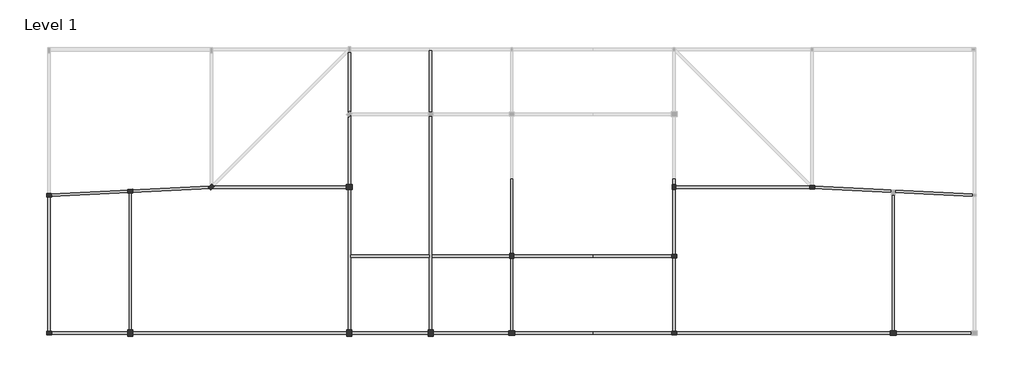
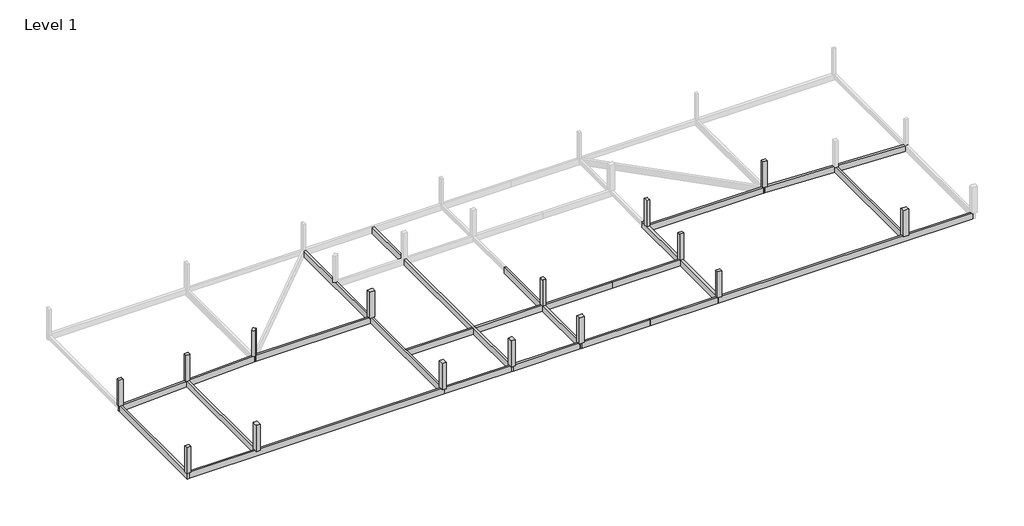
# One storey, part 1 of 2: 21 beams, 15 columns.
"""IFC4 building model written with IfcOpenShell, lengths in millimetres."""

import ifcopenshell
import ifcopenshell.guid

model = None  # the IFC model being written
_history = None  # IfcOwnerHistory: only IFC2X3 demands one
_inside = {}  # id of a spatial element -> (the spatial element, [elements in it])
_under = {}  # id of a project, library or spatial element -> (it, [spatial elements below it])
_declared = {}  # id of a project -> (the project, [libraries it declares])
_typed = {}  # id of a type object -> (the type object, [elements of that type])
_made_of = {}  # id of a material, layer set ... -> (it, [elements and type objects made of it])


def new_model(schema):
    """Start an empty IFC model of exactly this schema.

    Asked for "IFC4X3", IfcOpenShell would pick the latest addendum, in which some entities
    have other attributes; the version numbers below select the first issue.
    IFC2X3 requires an IfcOwnerHistory on every rooted entity: one is made here for all.
    """
    global model, _history
    if schema == "IFC4X3":
        model = ifcopenshell.file(schema_version=(4, 3, 0, 0))
    else:
        model = ifcopenshell.file(schema=schema)
    _inside.clear()
    _under.clear()
    _declared.clear()
    _typed.clear()
    _made_of.clear()
    _history = None
    if model.schema == "IFC2X3":
        org = make("IfcOrganization", Name="unknown")
        user = make(
            "IfcPersonAndOrganization",
            ThePerson=make("IfcPerson", FamilyName="unknown"),
            TheOrganization=org,
        )
        app = make(
            "IfcApplication",
            ApplicationDeveloper=org,
            Version="unknown",
            ApplicationFullName="unknown",
            ApplicationIdentifier="unknown",
        )
        _history = make(
            "IfcOwnerHistory",
            OwningUser=user,
            OwningApplication=app,
            ChangeAction="ADDED",
            CreationDate=0,
        )
    return model


def make(cls, **values):
    """One entity of the class cls with the attributes given. An attribute that is None is left unset."""
    return model.create_entity(
        cls, **{name: value for name, value in values.items() if value is not None}
    )


def rooted(cls, **values):
    """An entity with a GlobalId (a new one), such as an element, a storey or a relation."""
    return make(cls, GlobalId=ifcopenshell.guid.new(), OwnerHistory=_history, **values)


def si_unit(unit_type, name, prefix=None):
    """IfcSIUnit, for example si_unit("LENGTHUNIT", "METRE", prefix="MILLI")."""
    return make("IfcSIUnit", UnitType=unit_type, Prefix=prefix, Name=name)


def assignment(units):
    """IfcUnitAssignment: the units of a project."""
    return None if units is None else make("IfcUnitAssignment", Units=units)


def point(xyz):
    """IfcCartesianPoint."""
    return None if xyz is None else make("IfcCartesianPoint", Coordinates=xyz)


def direction(xyz):
    """IfcDirection."""
    return None if xyz is None else make("IfcDirection", DirectionRatios=xyz)


def frame(location, z_axis=None, x_axis=None):
    """IfcAxis2Placement3D, a coordinate frame: its origin and axes. An axis left out is left unset."""
    return make(
        "IfcAxis2Placement3D",
        Location=point(location),
        Axis=direction(z_axis),
        RefDirection=direction(x_axis),
    )


def origin():
    """The frame at (0, 0, 0) with its axes left unset."""
    return frame((0.0, 0.0, 0.0))


def place(relative_to, where):
    """IfcLocalPlacement: puts the frame where relative to a parent placement (None: the world)."""
    return make(
        "IfcLocalPlacement", PlacementRelTo=relative_to, RelativePlacement=where
    )


def context(
    kind, dimensions, precision=None, world=None, true_north=None, identifier=None
):
    """IfcGeometricRepresentationContext, for example the 3D "Model" context."""
    return make(
        "IfcGeometricRepresentationContext",
        ContextIdentifier=identifier,
        ContextType=kind,
        CoordinateSpaceDimension=dimensions,
        Precision=precision,
        WorldCoordinateSystem=world,
        TrueNorth=true_north,
    )


def project(units=None, contexts=None):
    """IfcProject with its units and contexts."""
    return rooted(
        "IfcProject",
        Name="project",
        RepresentationContexts=contexts,
        UnitsInContext=assignment(units),
    )


def spatial(cls, under=None, at=None, **own):
    """A site, building, storey or space (cls), placed at a placement, below another one or the project."""
    s = rooted(cls, ObjectPlacement=at, **own)
    if under is not None:
        _under.setdefault(under.id(), (under, []))[1].append(s)
    return s


def polyline(points):
    """IfcPolyline through the points."""
    return make("IfcPolyline", Points=[point(p) for p in points])


def outline(outer, holes=None, kind="AREA"):
    """IfcArbitraryClosedProfileDef: a profile drawn as a closed curve; with holes, ...WithVoids."""
    if holes is None:
        return make("IfcArbitraryClosedProfileDef", ProfileType=kind, OuterCurve=outer)
    return make(
        "IfcArbitraryProfileDefWithVoids",
        ProfileType=kind,
        OuterCurve=outer,
        InnerCurves=holes,
    )


def extrude(swept, where, along, depth):
    """IfcExtrudedAreaSolid: the profile swept, set in the frame where, extruded along a direction by depth."""
    return make(
        "IfcExtrudedAreaSolid",
        SweptArea=swept,
        Position=where,
        ExtrudedDirection=direction(along),
        Depth=depth,
    )


def faces_of(points, faces, orient=None, outer=None):
    """IfcFace entities. A face is a list of loops; a loop is a list of indices into points, from 0.

    orient and outer hold one flag for each loop. By default every Orientation is true, the
    first loop of a face is its IfcFaceOuterBound and the others are IfcFaceBound.
    """
    made = []
    for i, loops in enumerate(faces):
        bounds = []
        for j, loop in enumerate(loops):
            is_outer = j == 0 if outer is None else outer[i][j]
            bounds.append(
                make(
                    "IfcFaceOuterBound" if is_outer else "IfcFaceBound",
                    Bound=make("IfcPolyLoop", Polygon=[points[k] for k in loop]),
                    Orientation=True if orient is None else orient[i][j],
                )
            )
        made.append(make("IfcFace", Bounds=bounds))
    return made


def faceted_brep(points, faces, orient=None, outer=None, voids=None):
    """IfcFacetedBrep: a solid bounded by flat faces; with voids (closed shells), ...WithVoids."""
    shared = [point(p) for p in points]
    hull = make("IfcClosedShell", CfsFaces=faces_of(shared, faces, orient, outer))
    if voids is None:
        return make("IfcFacetedBrep", Outer=hull)
    return make(
        "IfcFacetedBrepWithVoids",
        Outer=hull,
        Voids=[
            make(cls, CfsFaces=faces_of(shared, fs, o, b)) for cls, fs, o, b in voids
        ],
    )


def shape(context_of_items, identifier, shape_type, items):
    """IfcShapeRepresentation: the items that make up one representation, for example the "Body"."""
    return make(
        "IfcShapeRepresentation",
        ContextOfItems=context_of_items,
        RepresentationIdentifier=identifier,
        RepresentationType=shape_type,
        Items=items,
    )


def made_of(thing, what):
    """Note that an element or type object is made of a material, layer set ...; save() writes the relation."""
    if what is not None:
        _made_of.setdefault(what.id(), (what, []))[1].append(thing)
    return thing


def element(
    cls,
    number,
    at=None,
    inside=None,
    cuts=None,
    type_object=None,
    material=None,
    context=None,
    identifier="Body",
    shape_type=None,
    held_by="IfcProductDefinitionShape",
    body=None,
    shapes=None,
    **own,
):
    """One element of the class cls, such as IfcWall. Its Tag is "e" and its number.

    at: its placement. inside: the storey or other place that contains it. cuts: it is an
    opening in that element (IfcRelVoidsElement). A single representation is given by context,
    identifier, shape_type and body (its items); several are given by shapes. held_by: the class
    of the entity that holds the representations. save() writes the other relations.
    """
    e = rooted(cls, Tag="e%d" % number, ObjectPlacement=at, **own)
    if body is not None:
        shapes = [shape(context, identifier, shape_type, body)]
    if shapes is not None:
        e.Representation = make(held_by, Representations=shapes)
    if inside is not None:
        _inside.setdefault(inside.id(), (inside, []))[1].append(e)
    if cuts is not None:
        rooted(
            "IfcRelVoidsElement", RelatingBuildingElement=cuts, RelatedOpeningElement=e
        )
    if type_object is not None:
        _typed.setdefault(type_object.id(), (type_object, []))[1].append(e)
    return made_of(e, material)


def aggregate(whole, parts):
    """IfcRelAggregates: a whole, such as a stair, and the parts it consists of."""
    return rooted("IfcRelAggregates", RelatingObject=whole, RelatedObjects=parts)


def save(model, path):
    """Write the relations noted so far, then the file.

    IfcRelAggregates (storeys below a building ...), IfcRelContainedInSpatialStructure (elements
    in a storey), IfcRelDefinesByType, IfcRelAssociatesMaterial and IfcRelDeclares: one each for
    every whole, place, type object, material and project.
    """
    for whole, parts in _under.values():
        aggregate(whole, parts)
    for where, things in _inside.values():
        rooted(
            "IfcRelContainedInSpatialStructure",
            RelatedElements=things,
            RelatingStructure=where,
        )
    for kind, things in _typed.values():
        rooted("IfcRelDefinesByType", RelatedObjects=things, RelatingType=kind)
    for what, things in _made_of.values():
        rooted("IfcRelAssociatesMaterial", RelatedObjects=things, RelatingMaterial=what)
    for by, libraries in _declared.values():
        rooted("IfcRelDeclares", RelatingContext=by, RelatedDefinitions=libraries)
    model.write(path)


model = new_model("IFC4")

# Units and contexts
model_context = context("Model", 3, world=origin())
ifc_project = project(units=[si_unit("LENGTHUNIT", "METRE", prefix="MILLI")], contexts=[model_context])

# Site, building, storey
site = spatial("IfcSite", under=ifc_project)
building = spatial("IfcBuilding", under=site)
storey = spatial("IfcBuildingStorey", under=building, Name="Level 1", Elevation=0.0)

# Beams
placement = place(None, origin())
element("IfcBeam", 1, ObjectType="M_Concrete-Rectangular Beam : 300 x 900mm", at=placement, inside=storey, context=model_context, shape_type="Brep", body=[
    faceted_brep([(4827.3778836, -7104.0145569, 0.0), (4527.3778836, -7104.0145569, 0.0), (4527.3778836, -6979.7504882, 0.0), (4527.3778836, -6899.1951396, 0.0), (-15172.6221164, -7884.1951396, 0.0), (-15472.6221164, -7899.1951396, 0.0), (-15472.6221164, -8199.5699055, 0.0), (-15172.6221164, -8184.5699055, 0.0), (-5472.6221164, -7699.5699055, 0.0), (-5172.6221164, -7684.5699055, 0.0), (4681.1255428, -7191.8825226, 0.0), (4827.3778836, -7184.5699055, 0.0), (4827.3778836, -7184.5699055, -900.0), (-15472.6221164, -8199.5699055, -900.0), (-15172.6221164, -8184.5699055, -900.0), (-5472.6221164, -7699.5699055, -900.0), (-5172.6221164, -7684.5699055, -900.0), (4681.1255428, -7191.8825226, -900.0), (4527.3778836, -7104.0145569, -900.0), (4827.3778836, -7104.0145569, -900.0), (-15472.6221164, -7899.1951396, -900.0), (4527.3778836, -6899.1951396, -900.0), (4527.3778836, -6979.7504882, -900.0), (-15472.6221164, -7899.1951396, -600.0)], [[[0, 1, 2, 3, 4, 5, 6, 7, 8, 9, 10, 11]], [[12, 11, 10, 9, 8, 7, 6, 13, 14, 15, 16, 17]], [[18, 19, 12, 17, 16, 15, 14, 13, 20, 21, 22]], [[3, 21, 20, 23, 5, 4]], [[21, 3, 2, 1, 18, 22]], [[18, 1, 0, 19]], [[11, 12, 19, 0]], [[6, 5, 23, 20, 13]]]),
])
element("IfcBeam", 2, ObjectType="M_Concrete-Rectangular Beam : 300 x 900mm", at=placement, inside=storey, context=model_context, shape_type="Brep", body=[
    faceted_brep([(-15472.6221164, -25191.8825226, 0.0), (-15172.6221164, -25191.8825226, 0.0), (-15172.6221164, -24891.8825226, 0.0), (-15172.6221164, -8184.5699055, 0.0), (-15472.6221164, -8199.5699055, 0.0), (-15472.6221164, -25191.8825226, -900.0), (-15472.6221164, -8199.5699055, -900.0), (-15172.6221164, -25191.8825226, -900.0), (-15172.6221164, -8184.5699055, -900.0), (-15172.6221164, -24891.8825226, -900.0)], [[[0, 1, 2, 3, 4]], [[5, 0, 4, 6]], [[7, 5, 6, 8, 9]], [[1, 7, 9, 8, 3, 2]], [[4, 3, 8, 6]], [[1, 0, 5, 7]]]),
])
element("IfcBeam", 3, ObjectType="M_Concrete-Rectangular Beam : 300 x 900mm", at=placement, inside=storey, context=model_context, shape_type="Brep", body=[
    faceted_brep([(21827.3778836, -25191.8825226, 0.0), (21827.3778836, -24891.8825226, 0.0), (21527.3778836, -24891.8825226, 0.0), (-5172.6221164, -24891.8825226, 0.0), (-5472.6221164, -24891.8825226, 0.0), (-15172.6221164, -24891.8825226, 0.0), (-15172.6221164, -25191.8825226, 0.0), (21827.3778836, -25191.8825226, -900.0), (-15172.6221164, -25191.8825226, -900.0), (21827.3778836, -24891.8825226, -900.0), (-15172.6221164, -24891.8825226, -900.0), (-5472.6221164, -24891.8825226, -900.0), (-5172.6221164, -24891.8825226, -900.0), (21527.3778836, -24891.8825226, -900.0)], [[[0, 1, 2, 3, 4, 5, 6]], [[7, 0, 6, 8]], [[9, 7, 8, 10, 11, 12, 13]], [[1, 9, 13, 12, 11, 10, 5, 4, 3, 2]], [[6, 5, 10, 8]], [[1, 0, 7, 9]]]),
])
element("IfcBeam", 4, ObjectType="M_Concrete-Rectangular Beam : 300 x 900mm", at=placement, inside=storey, context=model_context, shape_type="Brep", body=[
    faceted_brep([(21527.3778836, -24891.8825226, 0.0), (21827.3778836, -24891.8825226, 0.0), (21827.3778836, -15691.8825226, 0.0), (21827.3778836, -15391.8825226, 0.0), (21827.3778836, 1808.1174774, 0.0), (21827.3778836, 2108.1174774, 0.0), (21827.3778836, 9608.1174774, 0.0), (21827.3778836, 9808.1174774, 0.0), (21827.3778836, 9895.9854431, 0.0), (21527.3778836, 9595.9854431, 0.0), (21527.3778836, -6891.8825226, 0.0), (21527.3778836, -7191.8825226, 0.0), (21527.3778836, -24891.8825226, -900.0), (21527.3778836, 9595.9854431, -900.0), (21527.3778836, -6891.8825226, -900.0), (21527.3778836, -7191.8825226, -900.0), (21827.3778836, -24891.8825226, -900.0), (21827.3778836, 9895.9854431, -900.0), (21827.3778836, 9808.1174774, -900.0), (21827.3778836, 2108.1174774, -900.0), (21827.3778836, 1808.1174774, -900.0), (21827.3778836, -15391.8825226, -900.0), (21827.3778836, -15691.8825226, -900.0)], [[[0, 1, 2, 3, 4, 5, 6, 7, 8, 9, 10, 11]], [[12, 0, 11, 10, 9, 13, 14, 15]], [[16, 12, 15, 14, 13, 17, 18, 19, 20, 21, 22]], [[8, 7, 6, 5, 4, 3, 2, 1, 16, 22, 21, 20, 19, 18, 17]], [[1, 0, 12, 16]], [[9, 8, 17, 13]]]),
])
element("IfcBeam", 5, ObjectType="M_Concrete-Rectangular Beam : 300 x 900mm", at=placement, inside=storey, context=model_context, shape_type="SweptSolid", body=[
    extrude(outline(polyline([(-5472.6221164, -7699.5699055), (-5172.6221164, -7684.5699055), (-5172.6221164, -24891.8825226), (-5472.6221164, -24891.8825226), (-5472.6221164, -7699.5699055)])), frame((0.0, 0.0, -900.0), z_axis=(0.0, 0.0, 1.0), x_axis=(1.0, 0.0, 0.0)), (0.0, 0.0, 1.0), 900.0),
])
element("IfcBeam", 6, ObjectType="M_Concrete-Rectangular Beam : 300 x 900mm", at=placement, inside=storey, context=model_context, shape_type="SweptSolid", body=[
    extrude(outline(polyline([(4827.3778836, -7104.0145569), (5039.509918, -6891.8825226), (21527.3778836, -6891.8825226), (21527.3778836, -7191.8825226), (4681.1255428, -7191.8825226), (4827.3778836, -7184.5699055), (4827.3778836, -7104.0145569)])), frame((0.0, 0.0, -900.0), z_axis=(0.0, 0.0, 1.0), x_axis=(1.0, 0.0, 0.0)), (0.0, 0.0, 1.0), 900.0),
])
element("IfcBeam", 7, ObjectType="M_Concrete-Rectangular Beam : 300 x 900mm", at=placement, inside=storey, context=model_context, shape_type="Brep", body=[
    faceted_brep([(41827.3778836, -6041.8825226, 0.0), (41527.3778836, -6041.8825226, 0.0), (41527.3778836, -15391.8825226, 0.0), (41527.3778836, -15691.8825226, 0.0), (41527.3778836, -24891.8825226, 0.0), (41527.3778836, -25191.8825226, 0.0), (41827.3778836, -25191.8825226, 0.0), (41827.3778836, -24891.8825226, 0.0), (41827.3778836, -15691.8825226, 0.0), (41827.3778836, -15391.8825226, 0.0), (41827.3778836, -6041.8825226, -900.0), (41827.3778836, -6041.8825226, -600.0), (41827.3778836, -25191.8825226, -900.0), (41827.3778836, -24891.8825226, -900.0), (41827.3778836, -15691.8825226, -900.0), (41827.3778836, -15391.8825226, -900.0), (41527.3778836, -6041.8825226, -900.0), (41527.3778836, -25191.8825226, -900.0), (41527.3778836, -24891.8825226, -900.0), (41527.3778836, -15691.8825226, -900.0), (41527.3778836, -15391.8825226, -900.0), (41527.3778836, -6041.8825226, -600.0)], [[[0, 1, 2, 3, 4, 5, 6, 7, 8, 9]], [[10, 11, 0, 9, 8, 7, 6, 12, 13, 14, 15]], [[16, 10, 15, 14, 13, 12, 17, 18, 19, 20]], [[1, 21, 16, 20, 19, 18, 17, 5, 4, 3, 2]], [[16, 21, 1, 0, 11, 10]], [[6, 5, 17, 12]]]),
])
element("IfcBeam", 8, ObjectType="M_Concrete-Rectangular Beam : 300 x 900mm", at=placement, inside=storey, context=model_context, shape_type="Brep", body=[
    faceted_brep([(31527.3778836, -25191.8825226, 0.0), (31827.3778836, -25191.8825226, 0.0), (31827.3778836, -24891.8825226, 0.0), (31827.3778836, -15691.8825226, 0.0), (31827.3778836, -15391.8825226, 0.0), (31827.3778836, 1808.1174774, 0.0), (31827.3778836, 2108.1174774, 0.0), (31827.3778836, 9808.1174774, 0.0), (31527.3778836, 9808.1174774, 0.0), (31527.3778836, 2108.1174774, 0.0), (31527.3778836, 1808.1174774, 0.0), (31527.3778836, -15391.8825226, 0.0), (31527.3778836, -15691.8825226, 0.0), (31527.3778836, -24891.8825226, 0.0), (31827.3778836, -25191.8825226, -900.0), (31827.3778836, -24891.8825226, -900.0), (31827.3778836, -15691.8825226, -900.0), (31827.3778836, -15391.8825226, -900.0), (31827.3778836, 1808.1174774, -900.0), (31827.3778836, 2108.1174774, -900.0), (31827.3778836, 9808.1174774, -900.0), (31527.3778836, -25191.8825226, -900.0), (31527.3778836, -24891.8825226, -900.0), (31527.3778836, -15691.8825226, -900.0), (31527.3778836, -15391.8825226, -900.0), (31527.3778836, 1808.1174774, -900.0), (31527.3778836, 2108.1174774, -900.0), (31527.3778836, 9808.1174774, -900.0)], [[[0, 1, 2, 3, 4, 5, 6, 7, 8, 9, 10, 11, 12, 13]], [[1, 14, 15, 16, 17, 18, 19, 20, 7, 6, 5, 4, 3, 2]], [[14, 21, 22, 23, 24, 25, 26, 27, 20, 19, 18, 17, 16, 15]], [[21, 0, 13, 12, 11, 10, 9, 8, 27, 26, 25, 24, 23, 22]], [[8, 7, 20, 27]], [[1, 0, 21, 14]]]),
])
element("IfcBeam", 9, ObjectType="M_Concrete-Rectangular Beam : 300 x 900mm", at=placement, inside=storey, context=model_context, shape_type="SweptSolid", body=[
    extrude(outline(polyline([(41527.3778836, -24891.8825226), (41527.3778836, -25191.8825226), (31827.3778836, -25191.8825226), (31827.3778836, -24891.8825226), (41527.3778836, -24891.8825226)])), frame((0.0, 0.0, -900.0), z_axis=(0.0, 0.0, 1.0), x_axis=(1.0, 0.0, 0.0)), (0.0, 0.0, 1.0), 900.0),
])
element("IfcBeam", 10, ObjectType="M_Concrete-Rectangular Beam : 300 x 900mm", at=placement, inside=storey, context=model_context, shape_type="SweptSolid", body=[
    extrude(outline(polyline([(41527.3778836, -15391.8825226), (41527.3778836, -15691.8825226), (31827.3778836, -15691.8825226), (31827.3778836, -15391.8825226), (41527.3778836, -15391.8825226)])), frame((0.0, 0.0, -900.0), z_axis=(0.0, 0.0, 1.0), x_axis=(1.0, 0.0, 0.0)), (0.0, 0.0, 1.0), 900.0),
])
element("IfcBeam", 11, ObjectType="M_Concrete-Rectangular Beam : 300 x 900mm", at=placement, inside=storey, context=model_context, shape_type="SweptSolid", body=[
    extrude(outline(polyline([(31527.3778836, -24891.8825226), (31527.3778836, -25191.8825226), (21827.3778836, -25191.8825226), (21827.3778836, -24891.8825226), (31527.3778836, -24891.8825226)])), frame((0.0, 0.0, -900.0), z_axis=(0.0, 0.0, 1.0), x_axis=(1.0, 0.0, 0.0)), (0.0, 0.0, 1.0), 900.0),
])
element("IfcBeam", 12, ObjectType="M_Concrete-Rectangular Beam : 300 x 900mm", at=placement, inside=storey, context=model_context, shape_type="SweptSolid", body=[
    extrude(outline(polyline([(31527.3778836, -15391.8825226), (31527.3778836, -15691.8825226), (21827.3778836, -15691.8825226), (21827.3778836, -15391.8825226), (31527.3778836, -15391.8825226)])), frame((0.0, 0.0, -900.0), z_axis=(0.0, 0.0, 1.0), x_axis=(1.0, 0.0, 0.0)), (0.0, 0.0, 1.0), 900.0),
])
element("IfcBeam", 13, ObjectType="M_Concrete-Rectangular Beam : 300 x 900mm", at=placement, inside=storey, context=model_context, shape_type="Brep", body=[
    faceted_brep([(98827.3778836, -8199.5699055, 0.0), (98827.3778836, -7899.1951396, 0.0), (98527.3778836, -7884.1951396, 0.0), (78827.3778836, -6899.1951396, 0.0), (78827.3778836, -6979.7504882, 0.0), (78827.3778836, -7104.0145569, 0.0), (78527.3778836, -7104.0145569, 0.0), (78527.3778836, -7184.5699055, 0.0), (78673.6302244, -7191.8825226, 0.0), (88527.3778836, -7684.5699055, 0.0), (88827.3778836, -7699.5699055, 0.0), (98527.3778836, -8184.5699055, 0.0), (98827.3778836, -8199.5699055, -900.0), (78527.3778836, -7184.5699055, -900.0), (78673.6302244, -7191.8825226, -900.0), (88527.3778836, -7684.5699055, -900.0), (88827.3778836, -7699.5699055, -900.0), (98527.3778836, -8184.5699055, -900.0), (98827.3778836, -7899.1951396, -900.0), (78527.3778836, -7104.0145569, -900.0), (78827.3778836, -7104.0145569, -900.0), (78827.3778836, -6979.7504882, -900.0), (78827.3778836, -6899.1951396, -900.0), (98827.3778836, -7899.1951396, -600.0)], [[[0, 1, 2, 3, 4, 5, 6, 7, 8, 9, 10, 11]], [[12, 0, 11, 10, 9, 8, 7, 13, 14, 15, 16, 17]], [[18, 12, 17, 16, 15, 14, 13, 19, 20, 21, 22]], [[22, 3, 2, 1, 23, 18]], [[3, 22, 21, 20, 5, 4]], [[1, 0, 12, 18, 23]], [[13, 7, 6, 19]], [[5, 20, 19, 6]]]),
])
element("IfcBeam", 14, ObjectType="M_Concrete-Rectangular Beam : 300 x 900mm", at=placement, inside=storey, context=model_context, shape_type="Brep", body=[
    faceted_brep([(61527.3778836, -24891.8825226, 0.0), (61527.3778836, -25191.8825226, 0.0), (98527.3778836, -25191.8825226, 0.0), (98527.3778836, -24891.8825226, 0.0), (88827.3778836, -24891.8825226, 0.0), (88527.3778836, -24891.8825226, 0.0), (61827.3778836, -24891.8825226, 0.0), (61527.3778836, -25191.8825226, -900.0), (98527.3778836, -25191.8825226, -900.0), (61527.3778836, -24891.8825226, -900.0), (61827.3778836, -24891.8825226, -900.0), (88527.3778836, -24891.8825226, -900.0), (88827.3778836, -24891.8825226, -900.0), (98527.3778836, -24891.8825226, -900.0)], [[[0, 1, 2, 3, 4, 5, 6]], [[1, 7, 8, 2]], [[7, 9, 10, 11, 12, 13, 8]], [[9, 0, 6, 5, 4, 3, 13, 12, 11, 10]], [[3, 2, 8, 13]], [[1, 0, 9, 7]]]),
])
element("IfcBeam", 15, ObjectType="M_Concrete-Rectangular Beam : 300 x 900mm", at=placement, inside=storey, context=model_context, shape_type="Brep", body=[
    faceted_brep([(61827.3778836, -6041.8825226, 0.0), (61527.3778836, -6041.8825226, 0.0), (61527.3778836, -15391.8825226, 0.0), (61527.3778836, -15691.8825226, 0.0), (61527.3778836, -24891.8825226, 0.0), (61827.3778836, -24891.8825226, 0.0), (61827.3778836, -7191.8825226, 0.0), (61827.3778836, -6891.8825226, 0.0), (61827.3778836, -6041.8825226, -900.0), (61827.3778836, -6041.8825226, -600.0), (61827.3778836, -24891.8825226, -900.0), (61827.3778836, -7191.8825226, -900.0), (61827.3778836, -6891.8825226, -900.0), (61527.3778836, -6041.8825226, -900.0), (61527.3778836, -24891.8825226, -900.0), (61527.3778836, -15691.8825226, -900.0), (61527.3778836, -15391.8825226, -900.0), (61527.3778836, -6041.8825226, -600.0)], [[[0, 1, 2, 3, 4, 5, 6, 7]], [[8, 9, 0, 7, 6, 5, 10, 11, 12]], [[13, 8, 12, 11, 10, 14, 15, 16]], [[1, 17, 13, 16, 15, 14, 4, 3, 2]], [[5, 4, 14, 10]], [[13, 17, 1, 0, 9, 8]]]),
])
element("IfcBeam", 16, ObjectType="M_Concrete-Rectangular Beam : 300 x 900mm", at=placement, inside=storey, context=model_context, shape_type="SweptSolid", body=[
    extrude(outline(polyline([(88527.3778836, -7684.5699055), (88827.3778836, -7699.5699055), (88827.3778836, -24891.8825226), (88527.3778836, -24891.8825226), (88527.3778836, -7684.5699055)])), frame((0.0, 0.0, -900.0), z_axis=(0.0, 0.0, 1.0), x_axis=(1.0, 0.0, 0.0)), (0.0, 0.0, 1.0), 900.0),
])
element("IfcBeam", 17, ObjectType="M_Concrete-Rectangular Beam : 300 x 900mm", at=placement, inside=storey, context=model_context, shape_type="SweptSolid", body=[
    extrude(outline(polyline([(78315.2458493, -6891.8825226), (78527.3778836, -7104.0145569), (78527.3778836, -7184.5699055), (78673.6302244, -7191.8825226), (61827.3778836, -7191.8825226), (61827.3778836, -6891.8825226), (78315.2458493, -6891.8825226)])), frame((0.0, 0.0, -900.0), z_axis=(0.0, 0.0, 1.0), x_axis=(1.0, 0.0, 0.0)), (0.0, 0.0, 1.0), 900.0),
])
element("IfcBeam", 18, ObjectType="M_Concrete-Rectangular Beam : 300 x 900mm", at=placement, inside=storey, context=model_context, shape_type="SweptSolid", body=[
    extrude(outline(polyline([(51677.3778836, -24891.8825226), (51677.3778836, -25191.8825226), (41827.3778836, -25191.8825226), (41827.3778836, -24891.8825226), (51677.3778836, -24891.8825226)])), frame((0.0, 0.0, -900.0), z_axis=(0.0, 0.0, 1.0), x_axis=(1.0, 0.0, 0.0)), (0.0, 0.0, 1.0), 900.0),
])
element("IfcBeam", 19, ObjectType="M_Concrete-Rectangular Beam : 300 x 900mm", at=placement, inside=storey, context=model_context, shape_type="SweptSolid", body=[
    extrude(outline(polyline([(51677.3778836, -15391.8825226), (51677.3778836, -15691.8825226), (41827.3778836, -15691.8825226), (41827.3778836, -15391.8825226), (51677.3778836, -15391.8825226)])), frame((0.0, 0.0, -900.0), z_axis=(0.0, 0.0, 1.0), x_axis=(1.0, 0.0, 0.0)), (0.0, 0.0, 1.0), 900.0),
])
element("IfcBeam", 20, ObjectType="M_Concrete-Rectangular Beam : 300 x 900mm", at=placement, inside=storey, context=model_context, shape_type="SweptSolid", body=[
    extrude(outline(polyline([(51677.3778836, -25191.8825226), (51677.3778836, -24891.8825226), (61527.3778836, -24891.8825226), (61527.3778836, -25191.8825226), (51677.3778836, -25191.8825226)])), frame((0.0, 0.0, -900.0), z_axis=(0.0, 0.0, 1.0), x_axis=(1.0, 0.0, 0.0)), (0.0, 0.0, 1.0), 900.0),
])
element("IfcBeam", 21, ObjectType="M_Concrete-Rectangular Beam : 300 x 900mm", at=placement, inside=storey, context=model_context, shape_type="SweptSolid", body=[
    extrude(outline(polyline([(51677.3778836, -15691.8825226), (51677.3778836, -15391.8825226), (61527.3778836, -15391.8825226), (61527.3778836, -15691.8825226), (51677.3778836, -15691.8825226)])), frame((0.0, 0.0, -900.0), z_axis=(0.0, 0.0, 1.0), x_axis=(1.0, 0.0, 0.0)), (0.0, 0.0, 1.0), 900.0),
])

# Columns
element("IfcColumn", 22, ObjectType="M_Concrete-Rectangular-Column : 450 x 600mm", at=placement, inside=storey, context=model_context, shape_type="Brep", body=[
    faceted_brep([(78377.3778836, -6816.8825226, 0.0), (78977.3778836, -6816.8825226, 0.0), (78977.3778836, -7266.8825226, 0.0), (78377.3778836, -7266.8825226, 0.0), (78377.3778836, -6816.8825226, 4000.0), (78527.3778836, -6816.8825226, 4000.0), (78827.3778836, -6816.8825226, 4000.0), (78977.3778836, -6816.8825226, 4000.0), (78377.3778836, -6816.8825226, 3100.0), (78977.3778836, -6906.6951396, 4000.0), (78977.3778836, -7207.0699055, 4000.0), (78977.3778836, -7266.8825226, 4000.0), (78377.3778836, -7266.8825226, 4000.0), (78377.3778836, -7191.8825226, 4000.0), (78377.3778836, -6954.0145569, 4000.0)], [[[0, 1, 2, 3]], [[4, 5, 6, 7, 1, 0, 8]], [[7, 9, 10, 11, 2, 1]], [[11, 12, 3, 2]], [[12, 13, 14, 4, 8, 0, 3]], [[4, 14, 13, 12, 11, 10, 9, 7, 6, 5]]]),
])
element("IfcColumn", 23, ObjectType="M_Concrete-Rectangular-Column : 450 x 600mm", at=placement, inside=storey, context=model_context, shape_type="Brep", body=[
    faceted_brep([(61452.3778836, -7341.8825226, 0.0), (61452.3778836, -6741.8825226, 0.0), (61902.3778836, -6741.8825226, 0.0), (61902.3778836, -7341.8825226, 0.0), (61452.3778836, -7341.8825226, 4000.0), (61452.3778836, -6741.8825226, 4000.0), (61527.3778836, -6741.8825226, 4000.0), (61827.3778836, -6741.8825226, 4000.0), (61902.3778836, -6741.8825226, 4000.0), (61902.3778836, -6891.8825226, 4000.0), (61902.3778836, -7191.8825226, 4000.0), (61902.3778836, -7341.8825226, 4000.0), (61827.3778836, -7341.8825226, 4000.0), (61527.3778836, -7341.8825226, 4000.0)], [[[0, 1, 2, 3]], [[4, 5, 1, 0]], [[5, 6, 7, 8, 2, 1]], [[8, 9, 10, 11, 3, 2]], [[11, 12, 13, 4, 0, 3]], [[4, 13, 12, 11, 10, 9, 8, 7, 6, 5]]]),
])
element("IfcColumn", 24, ObjectType="M_Concrete-Rectangular-Column : 450 x 600mm", at=placement, inside=storey, context=model_context, shape_type="Brep", body=[
    faceted_brep([(41452.3778836, -15841.8825226, 0.0), (41452.3778836, -15241.8825226, 0.0), (41902.3778836, -15241.8825226, 0.0), (41902.3778836, -15841.8825226, 0.0), (41452.3778836, -15841.8825226, 4000.0), (41452.3778836, -15691.8825226, 4000.0), (41452.3778836, -15391.8825226, 4000.0), (41452.3778836, -15241.8825226, 4000.0), (41527.3778836, -15241.8825226, 4000.0), (41827.3778836, -15241.8825226, 4000.0), (41902.3778836, -15241.8825226, 4000.0), (41902.3778836, -15391.8825226, 4000.0), (41902.3778836, -15691.8825226, 4000.0), (41902.3778836, -15841.8825226, 4000.0), (41827.3778836, -15841.8825226, 4000.0), (41527.3778836, -15841.8825226, 4000.0)], [[[0, 1, 2, 3]], [[4, 5, 6, 7, 1, 0]], [[7, 8, 9, 10, 2, 1]], [[10, 11, 12, 13, 3, 2]], [[13, 14, 15, 4, 0, 3]], [[4, 15, 14, 13, 12, 11, 10, 9, 8, 7, 6, 5]]]),
])
element("IfcColumn", 25, ObjectType="M_Concrete-Rectangular-Column : 450 x 600mm", at=placement, inside=storey, context=model_context, shape_type="Brep", body=[
    faceted_brep([(61977.3778836, -15766.8825226, 0.0), (61377.3778836, -15766.8825226, 0.0), (61377.3778836, -15316.8825226, 0.0), (61977.3778836, -15316.8825226, 0.0), (61977.3778836, -15766.8825226, 4000.0), (61827.3778836, -15766.8825226, 4000.0), (61527.3778836, -15766.8825226, 4000.0), (61377.3778836, -15766.8825226, 4000.0), (61377.3778836, -15691.8825226, 4000.0), (61377.3778836, -15391.8825226, 4000.0), (61377.3778836, -15316.8825226, 4000.0), (61527.3778836, -15316.8825226, 4000.0), (61827.3778836, -15316.8825226, 4000.0), (61977.3778836, -15316.8825226, 4000.0)], [[[0, 1, 2, 3]], [[4, 5, 6, 7, 1, 0]], [[7, 8, 9, 10, 2, 1]], [[10, 11, 12, 13, 3, 2]], [[13, 4, 0, 3]], [[4, 13, 12, 11, 10, 9, 8, 7, 6, 5]]]),
])
element("IfcColumn", 26, ObjectType="M_Concrete-Rectangular-Column : 450 x 600mm", at=placement, inside=storey, context=model_context, shape_type="Brep", body=[
    faceted_brep([(61977.3778836, -25266.8825226, 0.0), (61377.3778836, -25266.8825226, 0.0), (61377.3778836, -24816.8825226, 0.0), (61977.3778836, -24816.8825226, 0.0), (61977.3778836, -25266.8825226, 4000.0), (61377.3778836, -25266.8825226, 4000.0), (61377.3778836, -25191.8825226, 4000.0), (61377.3778836, -24891.8825226, 4000.0), (61377.3778836, -24816.8825226, 4000.0), (61527.3778836, -24816.8825226, 4000.0), (61827.3778836, -24816.8825226, 4000.0), (61977.3778836, -24816.8825226, 4000.0), (61977.3778836, -24891.8825226, 4000.0), (61977.3778836, -25191.8825226, 4000.0)], [[[0, 1, 2, 3]], [[4, 5, 1, 0]], [[5, 6, 7, 8, 2, 1]], [[8, 9, 10, 11, 3, 2]], [[11, 12, 13, 4, 0, 3]], [[4, 13, 12, 11, 10, 9, 8, 7, 6, 5]]]),
])
element("IfcColumn", 27, ObjectType="M_Concrete-Rectangular-Column : 450 x 600mm", at=placement, inside=storey, context=model_context, shape_type="Brep", body=[
    faceted_brep([(5048.6089437, -6988.849514, 0.0), (4624.344875, -7413.1135827, 0.0), (4306.1468235, -7094.9155312, 0.0), (4730.4108922, -6670.6514625, 0.0), (5048.6089437, -6988.849514, 4000.0), (4845.5759351, -7191.8825226, 4000.0), (4624.344875, -7413.1135827, 4000.0), (5048.6089437, -6988.849514, 3100.0), (4416.3524686, -7205.1211763, 4000.0), (4306.1468235, -7094.9155312, 4000.0), (4306.1468235, -7094.9155312, 3100.0), (4500.5245483, -6900.5378064, 4000.0), (4527.3778836, -6873.684471, 4000.0), (4730.4108922, -6670.6514625, 4000.0), (4730.4108922, -6670.6514625, 3100.0), (4827.3778836, -6767.6184539, 4000.0), (4995.5759351, -6935.8165054, 4000.0)], [[[0, 1, 2, 3]], [[4, 5, 6, 1, 0, 7]], [[6, 8, 9, 10, 2, 1]], [[9, 11, 12, 13, 14, 3, 2, 10]], [[13, 15, 16, 4, 7, 0, 3, 14]], [[4, 16, 15, 13, 12, 11, 9, 8, 6, 5]]]),
])
element("IfcColumn", 28, ObjectType="M_Concrete-Rectangular-Column : 450 x 600mm", at=placement, inside=storey, context=model_context, shape_type="Brep", body=[
    faceted_brep([(-5633.4837819, -7332.1445314, 0.0), (-5034.2323785, -7302.1819613, 0.0), (-5011.7604509, -7751.6205137, 0.0), (-5611.0118542, -7781.5830839, 0.0), (-5633.4837819, -7332.1445314, 4000.0), (-5034.2323785, -7302.1819613, 4000.0), (-5030.4870573, -7377.0883867, 4000.0), (-5015.5057722, -7676.7140883, 4000.0), (-5011.7604509, -7751.6205137, 4000.0), (-5172.6221164, -7759.663597, 4000.0), (-5472.6221164, -7774.663597, 4000.0), (-5611.0118542, -7781.5830839, 4000.0), (-5614.7571755, -7706.6766585, 4000.0), (-5629.7384606, -7407.0509568, 4000.0)], [[[0, 1, 2, 3]], [[4, 5, 1, 0]], [[5, 6, 7, 8, 2, 1]], [[8, 9, 10, 11, 3, 2]], [[11, 12, 13, 4, 0, 3]], [[4, 13, 12, 11, 10, 9, 8, 7, 6, 5]]]),
])
element("IfcColumn", 29, ObjectType="M_Concrete-Rectangular-Column : 450 x 600mm", at=placement, inside=storey, context=model_context, shape_type="Brep", body=[
    faceted_brep([(-15633.4837819, -7832.1445314, 0.0), (-15034.2323785, -7802.1819613, 0.0), (-15011.7604509, -8251.6205137, 0.0), (-15611.0118542, -8281.5830839, 0.0), (-15633.4837819, -7832.1445314, 4000.0), (-15472.6221164, -7824.1014481, 4000.0), (-15172.6221164, -7809.1014481, 4000.0), (-15034.2323785, -7802.1819613, 4000.0), (-15030.4870573, -7877.0883867, 4000.0), (-15015.5057722, -8176.7140883, 4000.0), (-15011.7604509, -8251.6205137, 4000.0), (-15172.6221164, -8259.663597, 4000.0), (-15472.6221164, -8274.663597, 4000.0), (-15611.0118542, -8281.5830839, 4000.0)], [[[0, 1, 2, 3]], [[4, 5, 6, 7, 1, 0]], [[7, 8, 9, 10, 2, 1]], [[10, 11, 12, 13, 3, 2]], [[13, 4, 0, 3]], [[4, 13, 12, 11, 10, 9, 8, 7, 6, 5]]]),
])
element("IfcColumn", 30, ObjectType="M_Concrete-Rectangular-Column : 450 x 600mm", at=placement, inside=storey, context=model_context, shape_type="Brep", body=[
    faceted_brep([(-15022.6221164, -25266.8825226, 0.0), (-15622.6221164, -25266.8825226, 0.0), (-15622.6221164, -24816.8825226, 0.0), (-15022.6221164, -24816.8825226, 0.0), (-15022.6221164, -25266.8825226, 4000.0), (-15622.6221164, -25266.8825226, 4000.0), (-15622.6221164, -24816.8825226, 4000.0), (-15472.6221164, -24816.8825226, 4000.0), (-15172.6221164, -24816.8825226, 4000.0), (-15022.6221164, -24816.8825226, 4000.0), (-15022.6221164, -24891.8825226, 4000.0), (-15022.6221164, -25191.8825226, 4000.0)], [[[0, 1, 2, 3]], [[4, 5, 1, 0]], [[5, 6, 2, 1]], [[6, 7, 8, 9, 3, 2]], [[9, 10, 11, 4, 0, 3]], [[4, 11, 10, 9, 8, 7, 6, 5]]]),
])
element("IfcColumn", 31, ObjectType="M_Concrete-Rectangular-Column : 600 x 750mm", at=placement, inside=storey, context=model_context, shape_type="Brep", body=[
    faceted_brep([(-5022.6221164, -24666.8825226, 0.0), (-5022.6221164, -25416.8825226, 0.0), (-5622.6221164, -25416.8825226, 0.0), (-5622.6221164, -24666.8825226, 0.0), (-5022.6221164, -24666.8825226, 4000.0), (-5022.6221164, -24891.8825226, 4000.0), (-5022.6221164, -25191.8825226, 4000.0), (-5022.6221164, -25416.8825226, 4000.0), (-5622.6221164, -25416.8825226, 4000.0), (-5622.6221164, -25191.8825226, 4000.0), (-5622.6221164, -24891.8825226, 4000.0), (-5622.6221164, -24666.8825226, 4000.0), (-5472.6221164, -24666.8825226, 4000.0), (-5172.6221164, -24666.8825226, 4000.0)], [[[0, 1, 2, 3]], [[4, 5, 6, 7, 1, 0]], [[7, 8, 2, 1]], [[8, 9, 10, 11, 3, 2]], [[11, 12, 13, 4, 0, 3]], [[4, 13, 12, 11, 10, 9, 8, 7, 6, 5]]]),
])
element("IfcColumn", 32, ObjectType="M_Concrete-Rectangular-Column : 600 x 750mm", at=placement, inside=storey, context=model_context, shape_type="Brep", body=[
    faceted_brep([(21977.3778836, -24666.8825226, 0.0), (21977.3778836, -25416.8825226, 0.0), (21377.3778836, -25416.8825226, 0.0), (21377.3778836, -24666.8825226, 0.0), (21977.3778836, -24666.8825226, 4000.0), (21977.3778836, -24891.8825226, 4000.0), (21977.3778836, -25191.8825226, 4000.0), (21977.3778836, -25416.8825226, 4000.0), (21377.3778836, -25416.8825226, 4000.0), (21377.3778836, -25191.8825226, 4000.0), (21377.3778836, -24891.8825226, 4000.0), (21377.3778836, -24666.8825226, 4000.0), (21527.3778836, -24666.8825226, 4000.0), (21827.3778836, -24666.8825226, 4000.0)], [[[0, 1, 2, 3]], [[4, 5, 6, 7, 1, 0]], [[7, 8, 2, 1]], [[8, 9, 10, 11, 3, 2]], [[11, 12, 13, 4, 0, 3]], [[4, 13, 12, 11, 10, 9, 8, 7, 6, 5]]]),
])
element("IfcColumn", 33, ObjectType="M_Concrete-Rectangular-Column : 600 x 750mm", at=placement, inside=storey, context=model_context, shape_type="Brep", body=[
    faceted_brep([(31977.3778836, -24666.8825226, 0.0), (31977.3778836, -25416.8825226, 0.0), (31377.3778836, -25416.8825226, 0.0), (31377.3778836, -24666.8825226, 0.0), (31977.3778836, -24666.8825226, 4000.0), (31977.3778836, -24891.8825226, 4000.0), (31977.3778836, -25191.8825226, 4000.0), (31977.3778836, -25416.8825226, 4000.0), (31377.3778836, -25416.8825226, 4000.0), (31377.3778836, -25191.8825226, 4000.0), (31377.3778836, -24891.8825226, 4000.0), (31377.3778836, -24666.8825226, 4000.0), (31527.3778836, -24666.8825226, 4000.0), (31827.3778836, -24666.8825226, 4000.0)], [[[0, 1, 2, 3]], [[4, 5, 6, 7, 1, 0]], [[7, 8, 2, 1]], [[8, 9, 10, 11, 3, 2]], [[11, 12, 13, 4, 0, 3]], [[4, 13, 12, 11, 10, 9, 8, 7, 6, 5]]]),
])
element("IfcColumn", 34, ObjectType="M_Concrete-Rectangular-Column : 600 x 750mm", at=placement, inside=storey, context=model_context, shape_type="Brep", body=[
    faceted_brep([(41302.3778836, -24741.8825226, 0.0), (42052.3778836, -24741.8825226, 0.0), (42052.3778836, -25341.8825226, 0.0), (41302.3778836, -25341.8825226, 0.0), (41302.3778836, -24741.8825226, 4000.0), (41527.3778836, -24741.8825226, 4000.0), (41827.3778836, -24741.8825226, 4000.0), (42052.3778836, -24741.8825226, 4000.0), (42052.3778836, -24891.8825226, 4000.0), (42052.3778836, -25191.8825226, 4000.0), (42052.3778836, -25341.8825226, 4000.0), (41302.3778836, -25341.8825226, 4000.0), (41302.3778836, -25191.8825226, 4000.0), (41302.3778836, -24891.8825226, 4000.0)], [[[0, 1, 2, 3]], [[4, 5, 6, 7, 1, 0]], [[7, 8, 9, 10, 2, 1]], [[10, 11, 3, 2]], [[11, 12, 13, 4, 0, 3]], [[4, 13, 12, 11, 10, 9, 8, 7, 6, 5]]]),
])
element("IfcColumn", 35, ObjectType="M_Concrete-Rectangular-Column : 600 x 750mm", at=placement, inside=storey, context=model_context, shape_type="Brep", body=[
    faceted_brep([(88302.3778836, -24741.8825226, 0.0), (89052.3778836, -24741.8825226, 0.0), (89052.3778836, -25341.8825226, 0.0), (88302.3778836, -25341.8825226, 0.0), (88302.3778836, -24741.8825226, 4000.0), (88527.3778836, -24741.8825226, 4000.0), (88827.3778836, -24741.8825226, 4000.0), (89052.3778836, -24741.8825226, 4000.0), (89052.3778836, -24891.8825226, 4000.0), (89052.3778836, -25191.8825226, 4000.0), (89052.3778836, -25341.8825226, 4000.0), (88302.3778836, -25341.8825226, 4000.0), (88302.3778836, -25191.8825226, 4000.0), (88302.3778836, -24891.8825226, 4000.0)], [[[0, 1, 2, 3]], [[4, 5, 6, 7, 1, 0]], [[7, 8, 9, 10, 2, 1]], [[10, 11, 3, 2]], [[11, 12, 13, 4, 0, 3]], [[4, 13, 12, 11, 10, 9, 8, 7, 6, 5]]]),
])
element("IfcColumn", 36, ObjectType="M_Concrete-Rectangular-Column : 600 x 750mm", at=placement, inside=storey, context=model_context, shape_type="Brep", body=[
    faceted_brep([(21302.3778836, -6741.8825226, 0.0), (22052.3778836, -6741.8825226, 0.0), (22052.3778836, -7341.8825226, 0.0), (21302.3778836, -7341.8825226, 0.0), (21302.3778836, -6741.8825226, 4000.0), (21527.3778836, -6741.8825226, 4000.0), (21827.3778836, -6741.8825226, 4000.0), (22052.3778836, -6741.8825226, 4000.0), (22052.3778836, -7341.8825226, 4000.0), (21827.3778836, -7341.8825226, 4000.0), (21527.3778836, -7341.8825226, 4000.0), (21302.3778836, -7341.8825226, 4000.0), (21302.3778836, -7191.8825226, 4000.0), (21302.3778836, -6891.8825226, 4000.0)], [[[0, 1, 2, 3]], [[4, 5, 6, 7, 1, 0]], [[7, 8, 2, 1]], [[8, 9, 10, 11, 3, 2]], [[11, 12, 13, 4, 0, 3]], [[4, 13, 12, 11, 10, 9, 8, 7, 6, 5]]]),
])

save(model, "model.ifc")
